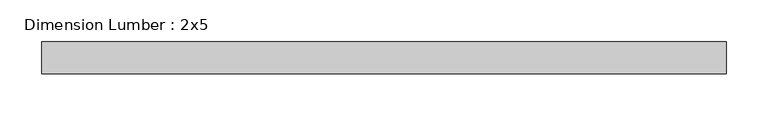
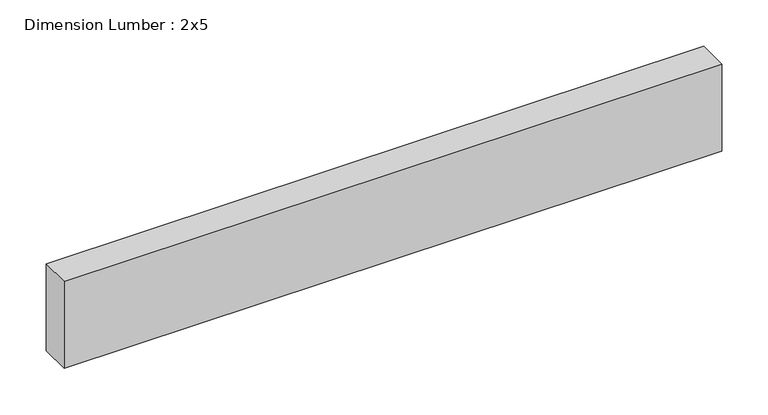
"""IFC4 building model written with IfcOpenShell, lengths in millimetres: beam geometry, Dimension Lumber : 2x5."""

from ifc_helpers import new_model, si_unit, frame, origin, place, context, project, spatial, polyline, outline, extrude, source, transform, mapped, element, save


def dimension_lumber_2x5_08bb64c7(model_context):
    return source(origin(), model_context, "Body", "SweptSolid", [
        extrude(outline(polyline([(408.3001599, 19.05), (408.3001599, -19.05), (-408.3001599, -19.05), (-408.3001599, 19.05), (408.3001599, 19.05)])), frame((0.0, 0.0, -57.15), z_axis=(0.0, 0.0, 1.0), x_axis=(1.0, 0.0, 0.0)), (0.0, 0.0, 1.0), 114.3),
    ])


if __name__ == "__main__":
    model = new_model("IFC4")
    model_context = context("Model", 3, world=origin())
    ifc_project = project(units=[si_unit("LENGTHUNIT", "METRE", prefix="MILLI")], contexts=[model_context])
    site = spatial("IfcSite", under=ifc_project)
    building = spatial("IfcBuilding", under=site)
    placement = place(None, origin())
    dimension_lumber_2x5_shape = dimension_lumber_2x5_08bb64c7(model_context)
    element("IfcBeam", 1, ObjectType="Dimension Lumber : 2x5", at=placement, inside=building, context=model_context, shape_type="MappedRepresentation", body=[
        mapped(dimension_lumber_2x5_shape, transform((0.0, 0.0, 0.0), x_axis=(1.0, 0.0, 0.0), y_axis=(0.0, 1.0, 0.0), z_axis=(0.0, 0.0, 1.0))),
    ])
    save(model, "model.ifc")
